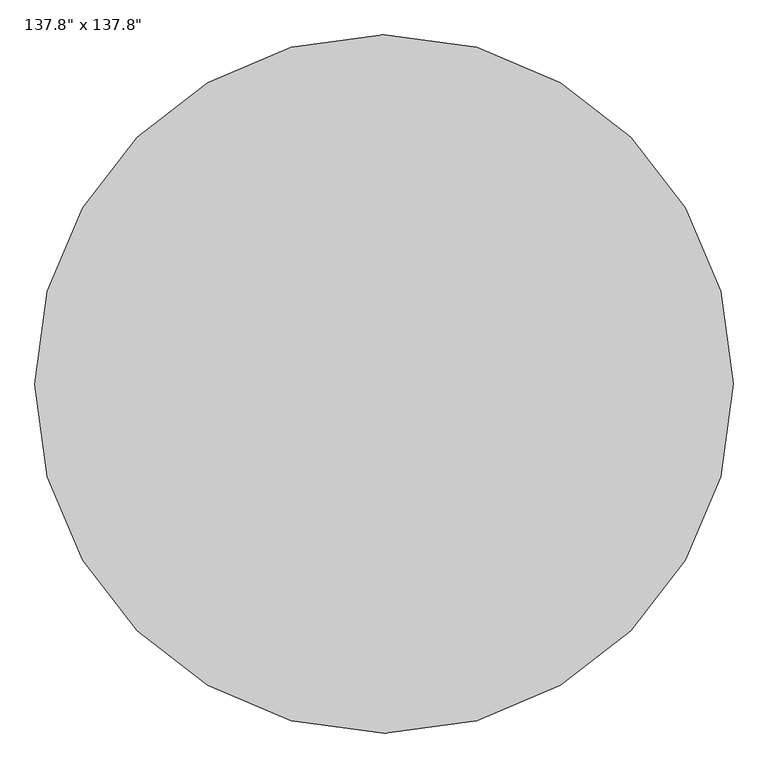
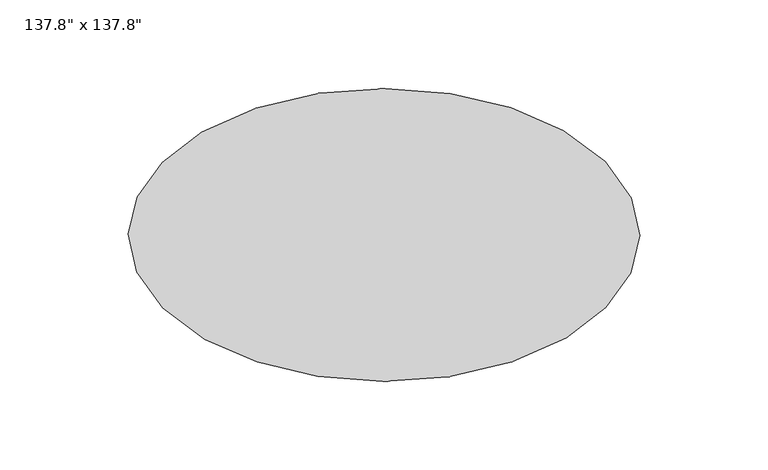
"""IFC4 building model written with IfcOpenShell, lengths in millimetres: furniture geometry."""

import ifcopenshell
import ifcopenshell.guid

model = None  # the IFC model being written
_history = None  # IfcOwnerHistory: only IFC2X3 demands one
_inside = {}  # id of a spatial element -> (the spatial element, [elements in it])
_under = {}  # id of a project, library or spatial element -> (it, [spatial elements below it])
_declared = {}  # id of a project -> (the project, [libraries it declares])
_typed = {}  # id of a type object -> (the type object, [elements of that type])
_made_of = {}  # id of a material, layer set ... -> (it, [elements and type objects made of it])


def new_model(schema):
    """Start an empty IFC model of exactly this schema.

    Asked for "IFC4X3", IfcOpenShell would pick the latest addendum, in which some entities
    have other attributes; the version numbers below select the first issue.
    IFC2X3 requires an IfcOwnerHistory on every rooted entity: one is made here for all.
    """
    global model, _history
    if schema == "IFC4X3":
        model = ifcopenshell.file(schema_version=(4, 3, 0, 0))
    else:
        model = ifcopenshell.file(schema=schema)
    _inside.clear()
    _under.clear()
    _declared.clear()
    _typed.clear()
    _made_of.clear()
    _history = None
    if model.schema == "IFC2X3":
        org = make("IfcOrganization", Name="unknown")
        user = make(
            "IfcPersonAndOrganization",
            ThePerson=make("IfcPerson", FamilyName="unknown"),
            TheOrganization=org,
        )
        app = make(
            "IfcApplication",
            ApplicationDeveloper=org,
            Version="unknown",
            ApplicationFullName="unknown",
            ApplicationIdentifier="unknown",
        )
        _history = make(
            "IfcOwnerHistory",
            OwningUser=user,
            OwningApplication=app,
            ChangeAction="ADDED",
            CreationDate=0,
        )
    return model


def make(cls, **values):
    """One entity of the class cls with the attributes given. An attribute that is None is left unset."""
    return model.create_entity(
        cls, **{name: value for name, value in values.items() if value is not None}
    )


def rooted(cls, **values):
    """An entity with a GlobalId (a new one), such as an element, a storey or a relation."""
    return make(cls, GlobalId=ifcopenshell.guid.new(), OwnerHistory=_history, **values)


def si_unit(unit_type, name, prefix=None):
    """IfcSIUnit, for example si_unit("LENGTHUNIT", "METRE", prefix="MILLI")."""
    return make("IfcSIUnit", UnitType=unit_type, Prefix=prefix, Name=name)


def assignment(units):
    """IfcUnitAssignment: the units of a project."""
    return None if units is None else make("IfcUnitAssignment", Units=units)


def point(xyz):
    """IfcCartesianPoint."""
    return None if xyz is None else make("IfcCartesianPoint", Coordinates=xyz)


def direction(xyz):
    """IfcDirection."""
    return None if xyz is None else make("IfcDirection", DirectionRatios=xyz)


def frame(location, z_axis=None, x_axis=None):
    """IfcAxis2Placement3D, a coordinate frame: its origin and axes. An axis left out is left unset."""
    return make(
        "IfcAxis2Placement3D",
        Location=point(location),
        Axis=direction(z_axis),
        RefDirection=direction(x_axis),
    )


def origin():
    """The frame at (0, 0, 0) with its axes left unset."""
    return frame((0.0, 0.0, 0.0))


def place(relative_to, where):
    """IfcLocalPlacement: puts the frame where relative to a parent placement (None: the world)."""
    return make(
        "IfcLocalPlacement", PlacementRelTo=relative_to, RelativePlacement=where
    )


def context(
    kind, dimensions, precision=None, world=None, true_north=None, identifier=None
):
    """IfcGeometricRepresentationContext, for example the 3D "Model" context."""
    return make(
        "IfcGeometricRepresentationContext",
        ContextIdentifier=identifier,
        ContextType=kind,
        CoordinateSpaceDimension=dimensions,
        Precision=precision,
        WorldCoordinateSystem=world,
        TrueNorth=true_north,
    )


def project(units=None, contexts=None):
    """IfcProject with its units and contexts."""
    return rooted(
        "IfcProject",
        Name="project",
        RepresentationContexts=contexts,
        UnitsInContext=assignment(units),
    )


def spatial(cls, under=None, at=None, **own):
    """A site, building, storey or space (cls), placed at a placement, below another one or the project."""
    s = rooted(cls, ObjectPlacement=at, **own)
    if under is not None:
        _under.setdefault(under.id(), (under, []))[1].append(s)
    return s


def point_list(points):
    """IfcCartesianPointList2D or 3D."""
    cls = (
        "IfcCartesianPointList2D" if len(points[0]) == 2 else "IfcCartesianPointList3D"
    )
    return make(cls, CoordList=points)


def triangles(points, corners, closed=None, point_numbers=None):
    """IfcTriangulatedFaceSet: each triangle names its three corners, points numbered from 1."""
    return make(
        "IfcTriangulatedFaceSet",
        Coordinates=point_list(points),
        Closed=closed,
        CoordIndex=corners,
        PnIndex=point_numbers,
    )


def shape(context_of_items, identifier, shape_type, items):
    """IfcShapeRepresentation: the items that make up one representation, for example the "Body"."""
    return make(
        "IfcShapeRepresentation",
        ContextOfItems=context_of_items,
        RepresentationIdentifier=identifier,
        RepresentationType=shape_type,
        Items=items,
    )


def source(mapping_origin, context_of_items, identifier, shape_type, items):
    """IfcRepresentationMap: a shape defined once, which mapped items show again and again."""
    return make(
        "IfcRepresentationMap",
        MappingOrigin=mapping_origin,
        MappedRepresentation=shape(context_of_items, identifier, shape_type, items),
    )


def transform(
    local_origin,
    x_axis=None,
    y_axis=None,
    z_axis=None,
    scale=None,
    scale2=None,
    scale3=None,
    uniform=True,
):
    """IfcCartesianTransformationOperator3D, or its non-uniform kind. x_axis, y_axis, z_axis: its Axis1, 2, 3."""
    if uniform:
        return make(
            "IfcCartesianTransformationOperator3D",
            Axis1=direction(x_axis),
            Axis2=direction(y_axis),
            LocalOrigin=point(local_origin),
            Scale=scale,
            Axis3=direction(z_axis),
        )
    return make(
        "IfcCartesianTransformationOperator3DnonUniform",
        Axis1=direction(x_axis),
        Axis2=direction(y_axis),
        LocalOrigin=point(local_origin),
        Scale=scale,
        Axis3=direction(z_axis),
        Scale2=scale2,
        Scale3=scale3,
    )


def mapped(mapping_source, mapping_target):
    """IfcMappedItem: shows the shape of a source again, moved by a transform."""
    return make(
        "IfcMappedItem", MappingSource=mapping_source, MappingTarget=mapping_target
    )


def made_of(thing, what):
    """Note that an element or type object is made of a material, layer set ...; save() writes the relation."""
    if what is not None:
        _made_of.setdefault(what.id(), (what, []))[1].append(thing)
    return thing


def element(
    cls,
    number,
    at=None,
    inside=None,
    cuts=None,
    type_object=None,
    material=None,
    context=None,
    identifier="Body",
    shape_type=None,
    held_by="IfcProductDefinitionShape",
    body=None,
    shapes=None,
    **own,
):
    """One element of the class cls, such as IfcWall. Its Tag is "e" and its number.

    at: its placement. inside: the storey or other place that contains it. cuts: it is an
    opening in that element (IfcRelVoidsElement). A single representation is given by context,
    identifier, shape_type and body (its items); several are given by shapes. held_by: the class
    of the entity that holds the representations. save() writes the other relations.
    """
    e = rooted(cls, Tag="e%d" % number, ObjectPlacement=at, **own)
    if body is not None:
        shapes = [shape(context, identifier, shape_type, body)]
    if shapes is not None:
        e.Representation = make(held_by, Representations=shapes)
    if inside is not None:
        _inside.setdefault(inside.id(), (inside, []))[1].append(e)
    if cuts is not None:
        rooted(
            "IfcRelVoidsElement", RelatingBuildingElement=cuts, RelatedOpeningElement=e
        )
    if type_object is not None:
        _typed.setdefault(type_object.id(), (type_object, []))[1].append(e)
    return made_of(e, material)


def aggregate(whole, parts):
    """IfcRelAggregates: a whole, such as a stair, and the parts it consists of."""
    return rooted("IfcRelAggregates", RelatingObject=whole, RelatedObjects=parts)


def save(model, path):
    """Write the relations noted so far, then the file.

    IfcRelAggregates (storeys below a building ...), IfcRelContainedInSpatialStructure (elements
    in a storey), IfcRelDefinesByType, IfcRelAssociatesMaterial and IfcRelDeclares: one each for
    every whole, place, type object, material and project.
    """
    for whole, parts in _under.values():
        aggregate(whole, parts)
    for where, things in _inside.values():
        rooted(
            "IfcRelContainedInSpatialStructure",
            RelatedElements=things,
            RelatingStructure=where,
        )
    for kind, things in _typed.values():
        rooted("IfcRelDefinesByType", RelatedObjects=things, RelatingType=kind)
    for what, things in _made_of.values():
        rooted("IfcRelAssociatesMaterial", RelatedObjects=things, RelatingMaterial=what)
    for by, libraries in _declared.values():
        rooted("IfcRelDeclares", RelatingContext=by, RelatedDefinitions=libraries)
    model.write(path)


def furniture_0e7f18f9(model_context):
    return source(origin(), model_context, "Body", "Tessellation", [
        triangles([(-464.9160988, -1687.4278152, 5.0800003), (0.0003338, -1750.0001587, 5.0800003), (0.0003307, -1739.9099316, 5.0800003), (-462.2568861, -1677.6955605, 5.0800003), (464.9167165, -1687.4275246, 5.0800003), (462.2574675, -1677.6952698, 5.0800003), (882.8710379, -1510.8795799, 5.0800003), (877.7835577, -1502.1731346, 5.0800003), (1237.1099533, -1237.1093719, 5.0800003), (1229.981028, -1229.980592, 5.0800003), (1510.8801613, -882.8705292, 5.0800003), (1502.1735706, -877.7829763, 5.0800003), (1687.4278152, -464.9160988, 5.0800003), (1677.6955605, -462.2568861, 5.0800003), (1750.0001587, 0.0003129, 5.0800003), (1739.9099316, 0.0003099, 5.0800003), (1687.4275246, 464.9167165, 5.0800003), (1677.6952698, 462.2574675, 5.0800003), (1510.8795799, 882.8710379, 5.0800003), (1502.1731346, 877.7835577, 5.0800003), (1237.1093719, 1237.1099533, 5.0800003), (1229.980592, 1229.981028, 5.0800003), (882.8703838, 1510.8801613, 5.0800003), (877.7829037, 1502.1735706, 5.0800003), (464.9160625, 1687.4278152, 5.0800003), (462.2568498, 1677.6955605, 5.0800003), (-0.0003894, 1750.0001587, 5.0800003), (-0.000385, 1739.9099316, 5.0800003), (-464.9167528, 1687.4273792, 5.0800003), (-462.2575401, 1677.6951244, 5.0800003), (-882.8711832, 1510.8795799, 5.0800003), (-877.7836304, 1502.1729893, 5.0800003), (-1237.1099533, 1237.1093719, 5.0800003), (-1229.9811733, 1229.980592, 5.0800003), (-1510.8801613, 882.8702385, 5.0800003), (-1502.1735706, 877.7827583, 5.0800003), (-1687.4278152, 464.9159898, 5.0800003), (-1677.6955605, 462.2567408, 5.0800003), (-1750.0001587, -0.0004659, 5.0800003), (-1739.9099316, -0.0004628, 5.0800003), (-1687.4275246, -464.9168255, 5.0800003), (-1677.6952698, -462.2575765, 5.0800003), (-1510.8795799, -882.8711832, 5.0800003), (-1502.1731346, -877.7836304, 5.0800003), (-1237.1093719, -1237.1099533, 5.0800003), (-1229.980592, -1229.9811733, 5.0800003), (-882.8705292, -1510.8801613, 5.0800003), (-877.7829763, -1502.1735706, 5.0800003), (-2.46e-05, 1.96e-05, 5.0800003)], [[1, 2, 3], [1, 3, 4], [2, 5, 6], [2, 6, 3], [5, 7, 8], [5, 8, 6], [7, 9, 10], [7, 10, 8], [9, 11, 12], [9, 12, 10], [11, 13, 14], [11, 14, 12], [13, 15, 16], [13, 16, 14], [15, 17, 18], [15, 18, 16], [17, 19, 20], [17, 20, 18], [19, 21, 22], [19, 22, 20], [21, 23, 24], [21, 24, 22], [23, 25, 26], [23, 26, 24], [25, 27, 28], [25, 28, 26], [27, 29, 30], [27, 30, 28], [29, 31, 32], [29, 32, 30], [31, 33, 34], [31, 34, 32], [33, 35, 36], [33, 36, 34], [35, 37, 38], [35, 38, 36], [37, 39, 40], [37, 40, 38], [39, 41, 42], [39, 42, 40], [41, 43, 44], [41, 44, 42], [43, 45, 46], [43, 46, 44], [45, 47, 48], [45, 48, 46], [47, 1, 4], [47, 4, 48], [3, 6, 8], [3, 8, 49], [8, 10, 12], [8, 12, 49], [12, 14, 16], [12, 16, 49], [16, 18, 20], [16, 20, 49], [20, 22, 24], [20, 24, 49], [24, 26, 28], [24, 28, 49], [28, 30, 32], [28, 32, 49], [32, 34, 36], [32, 36, 49], [36, 38, 40], [36, 40, 49], [40, 42, 44], [40, 44, 49], [44, 46, 48], [44, 48, 49], [48, 4, 3], [48, 3, 49]], closed=False),
    ])


if __name__ == "__main__":
    model = new_model("IFC4")
    model_context = context("Model", 3, world=origin())
    ifc_project = project(units=[si_unit("LENGTHUNIT", "METRE", prefix="MILLI")], contexts=[model_context])
    site = spatial("IfcSite", under=ifc_project)
    building = spatial("IfcBuilding", under=site)
    placement = place(None, origin())
    furniture_shape = furniture_0e7f18f9(model_context)
    element("IfcFurniture", 1, ObjectType="137.8\" x 137.8\"", at=placement, inside=building, context=model_context, shape_type="MappedRepresentation", body=[
        mapped(furniture_shape, transform((0.0, 0.0, 0.0), x_axis=(1.0, 0.0, 0.0), y_axis=(0.0, 1.0, 0.0), z_axis=(0.0, 0.0, 1.0))),
    ])
    save(model, "model.ifc")
